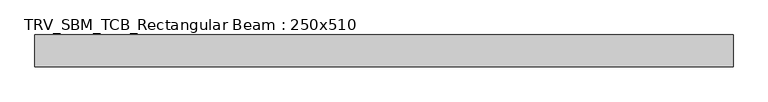
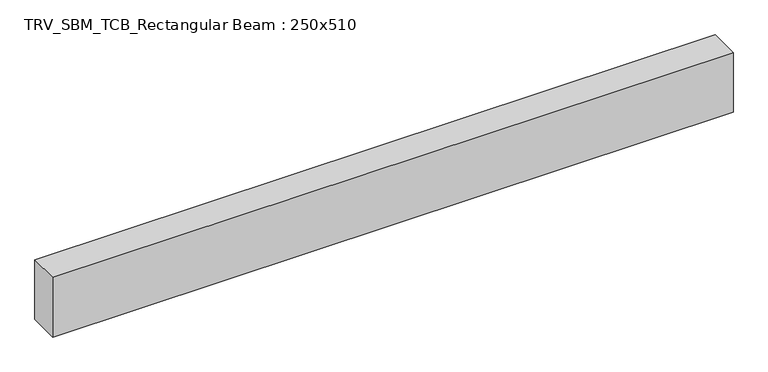
"""IFC4 building model written with IfcOpenShell, lengths in millimetres: beam geometry, TRV_SBM_TCB_Rectangular Beam : 250x510."""

from ifc_helpers import new_model, si_unit, frame, origin, place, context, project, spatial, polyline, outline, extrude, source, transform, mapped, element, save


def trv_sbm_tcb_rectangular_beam_250x510_bb723dfc(model_context):
    return source(origin(), model_context, "Body", "SweptSolid", [
        extrude(outline(polyline([(2751.7, 125.0), (2751.7, -125.0), (-2751.7, -125.0), (-2751.7, 125.0), (2751.7, 125.0)])), frame((0.0, 0.0, -255.0), z_axis=(0.0, 0.0, 1.0), x_axis=(1.0, 0.0, 0.0)), (0.0, 0.0, 1.0), 510.0),
    ])


if __name__ == "__main__":
    model = new_model("IFC4")
    model_context = context("Model", 3, world=origin())
    ifc_project = project(units=[si_unit("LENGTHUNIT", "METRE", prefix="MILLI")], contexts=[model_context])
    site = spatial("IfcSite", under=ifc_project)
    building = spatial("IfcBuilding", under=site)
    placement = place(None, origin())
    trv_sbm_tcb_rectangular_beam_250x510_shape = trv_sbm_tcb_rectangular_beam_250x510_bb723dfc(model_context)
    element("IfcBeam", 1, ObjectType="TRV_SBM_TCB_Rectangular Beam : 250x510", at=placement, inside=building, context=model_context, shape_type="MappedRepresentation", body=[
        mapped(trv_sbm_tcb_rectangular_beam_250x510_shape, transform((0.0, 0.0, 0.0), x_axis=(1.0, 0.0, 0.0), y_axis=(0.0, 1.0, 0.0), z_axis=(0.0, 0.0, 1.0))),
    ])
    save(model, "model.ifc")
